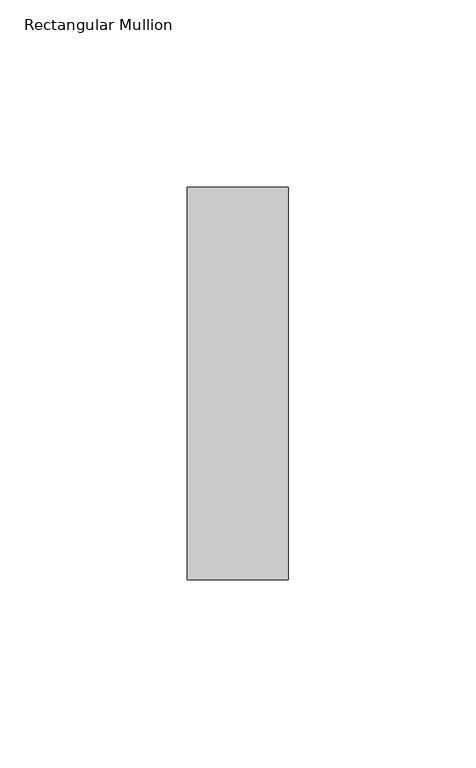
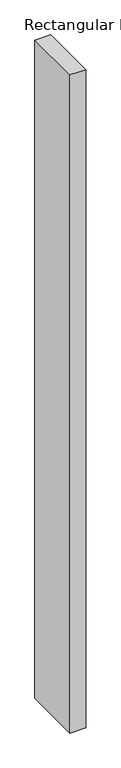
"""IFC4 building model written with IfcOpenShell, lengths in millimetres: member geometry, Rectangular Mullion."""

from ifc_helpers import new_model, si_unit, frame, origin, place, context, project, spatial, polyline, outline, extrude, source, transform, mapped, element, save


def rectangular_mullion_81b253ef(model_context):
    return source(origin(), model_context, "Body", "SweptSolid", [
        extrude(outline(polyline([(-27.0, 52.3975), (0.0, 52.3975), (0.0, -52.3975), (-27.0, -52.3975), (-27.0, 52.3975)])), frame((0.0, 0.0, -1200.0), z_axis=(0.0, 0.0, 1.0), x_axis=(1.0, 0.0, 0.0)), (0.0, 0.0, 1.0), 1200.0),
    ])


if __name__ == "__main__":
    model = new_model("IFC4")
    model_context = context("Model", 3, world=origin())
    ifc_project = project(units=[si_unit("LENGTHUNIT", "METRE", prefix="MILLI")], contexts=[model_context])
    site = spatial("IfcSite", under=ifc_project)
    building = spatial("IfcBuilding", under=site)
    placement = place(None, origin())
    rectangular_mullion_shape = rectangular_mullion_81b253ef(model_context)
    element("IfcMember", 1, ObjectType="Rectangular Mullion", at=placement, inside=building, context=model_context, shape_type="MappedRepresentation", body=[
        mapped(rectangular_mullion_shape, transform((0.0, 0.0, 0.0), x_axis=(1.0, 0.0, 0.0), y_axis=(0.0, 1.0, 0.0), z_axis=(0.0, 0.0, 1.0))),
    ])
    save(model, "model.ifc")
